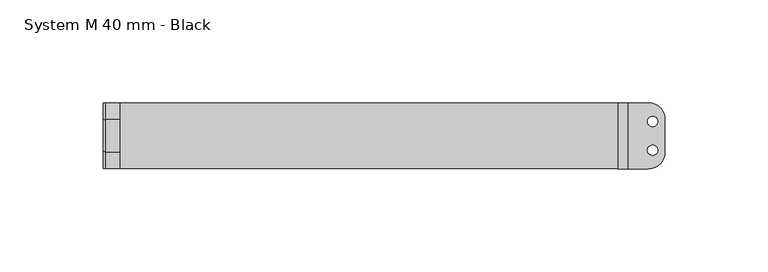
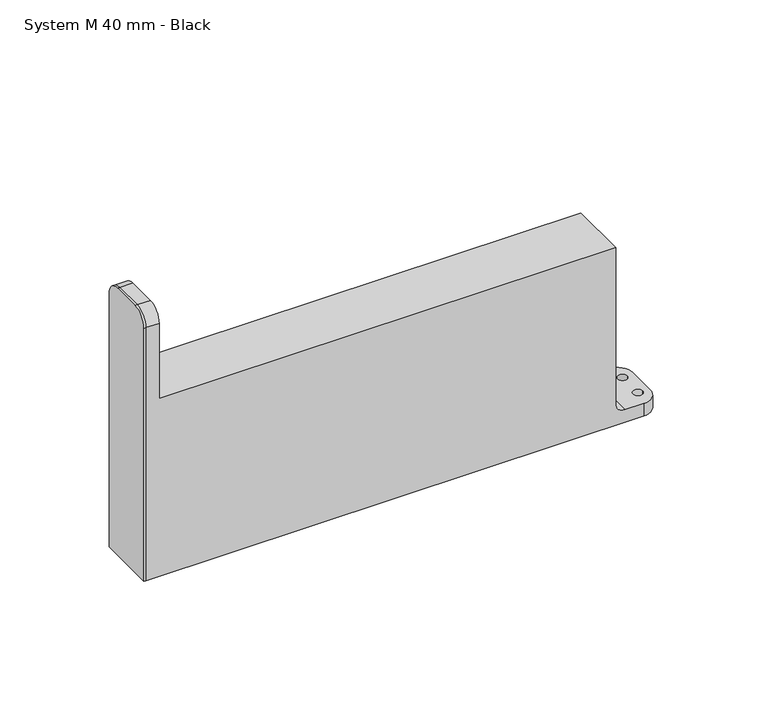
"""IFC4 building model written with IfcOpenShell, lengths in millimetres: proxy geometry, System M 40 mm - Black."""

from ifc_helpers import new_model, si_unit, point, frame, frame_2d, origin, origin_with_axes, place, context, project, spatial, polyline, circle_curve, ellipse_curve, trimmed, segment, composite_curve, outline, extrude, source, transform, mapped, element, save
from ifc_brep_helpers import plane_surface, cylinder_surface, revolved_surface, spline_surface, advanced_brep


def system_m_40_mm_black_73ce2694(model_context):
    return source(origin(), model_context, "Body", "SolidModel", [
        extrude(outline(composite_curve([segment(polyline([(16.0, 0.0), (-16.0, 0.0), (-16.0, 141.8)]), True, "CONTINUOUS"), segment(trimmed(circle_curve(frame_2d((-8.0, 141.8)), 8.0), [point((-16.0, 141.8))], [point((-8.0, 149.8))], False, "CARTESIAN"), True, "CONTINUOUS"), segment(polyline([(-8.0, 149.8), (8.0, 149.8)]), True, "CONTINUOUS"), segment(trimmed(circle_curve(frame_2d((8.0, 141.8)), 8.0), [point((8.0, 149.8))], [point((16.0, 141.8))], False, "CARTESIAN"), True, "CONTINUOUS"), segment(polyline([(16.0, 141.8), (16.0, 0.0)]), True, "CONTINUOUS")], self_intersect=False)), frame((-40.0, 0.0, 0.0), z_axis=(1.0, 0.0, 0.0), x_axis=(0.0, 1.0, 0.0)), (0.0, 0.0, 1.0), 1.0),
        advanced_brep(
        [(7.5, 0.0, 1.0), (-7.5, 0.0, 1.0), (6.75, 0.0, -8.0), (-6.75, 0.0, -8.0)],
        [
            (0, 1, ellipse_curve(frame((0.0, 0.0, 1.0), z_axis=(0.0, 0.0, 1.0), x_axis=(-1.0, 0.0, 0.0)), 7.5, 4.8)),
            (1, 0, ellipse_curve(frame((0.0, 0.0, 1.0), z_axis=(0.0, 0.0, 1.0), x_axis=(-1.0, 0.0, 0.0)), 7.5, 4.8)),
            (2, 3, ellipse_curve(frame((0.0, 0.0, -8.0), z_axis=(0.0, 0.0, -1.0), x_axis=(-1.0, 0.0, 0.0)), 6.75, 4.0)),
            (3, 2, ellipse_curve(frame((0.0, 0.0, -8.0), z_axis=(0.0, 0.0, -1.0), x_axis=(-1.0, 0.0, 0.0)), 6.75, 4.0)),
            (3, 1),
            (0, 2),
        ],
        [
            plane_surface(frame((0.0, 0.0, 1.0), z_axis=(0.0, 0.0, 1.0), x_axis=(0.0, 1.0, 0.0))),
            plane_surface(frame((0.0, 0.0, -8.0), z_axis=(0.0, 0.0, -1.0), x_axis=(0.0, 1.0, 0.0))),
            spline_surface(2, 1, [[(6.75, 0.0, -8.0), (7.5, 0.0, 1.0)], [(6.75, 4.0, -8.0), (7.5, 4.8, 1.0)], [(0.0, 4.0, -8.0), (0.0, 4.8, 1.0)], [(-6.75, 4.0, -8.0), (-7.5, 4.8, 1.0)], [(-6.75, 0.0, -8.0), (-7.5, 0.0, 1.0)]], [3, 2, 3], [2, 2], [0.0, 1.0, 2.0], [0.0, 1.0], weights=[[1.0, 1.0], [0.7071067811865476, 0.7071067811865476], [1.0, 1.0], [0.7071067811865476, 0.7071067811865476], [1.0, 1.0]]),
            spline_surface(2, 1, [[(-6.75, 0.0, -8.0), (-7.5, 0.0, 1.0)], [(-6.75, -4.0, -8.0), (-7.5, -4.8, 1.0)], [(0.0, -4.0, -8.0), (0.0, -4.8, 1.0)], [(6.75, -4.0, -8.0), (7.5, -4.8, 1.0)], [(6.75, 0.0, -8.0), (7.5, 0.0, 1.0)]], [3, 2, 3], [2, 2], [0.0, 1.0, 2.0], [0.0, 1.0], weights=[[1.0, 1.0], [0.7071067811865476, 0.7071067811865476], [1.0, 1.0], [0.7071067811865476, 0.7071067811865476], [1.0, 1.0]]),
        ],
        [
            (0, [[1, 2]]),
            (1, [[3, 4]]),
            (2, [[-4, 5, -1, 6]]),
            (3, [[-3, -6, -2, -5]]),
        ],
    ),
        advanced_brep(
        [(214.8, -16.0, 7.0), (209.8, -16.0, 12.0), (209.8, -16.0, 99.6), (-32.0, -16.0, 99.6), (-32.0, -16.0, 141.8), (-39.0, -16.0, 141.8), (-39.0, -16.0, 0.0), (224.7, -16.0, 0.0), (224.7, -16.0, 7.0), (-32.0, 16.0, 99.6), (209.8, 16.0, 99.6), (209.8, 16.0, 12.0), (214.8, 16.0, 7.0), (224.7, 16.0, 7.0), (224.7, 16.0, 0.0), (-39.0, 16.0, 0.0), (-39.0, 16.0, 141.8), (-32.0, 16.0, 141.8), (232.7, 8.0, 0.0), (232.7, -8.0, 0.0), (-15.5, 0.0, 0.0), (15.5, 0.0, 0.0), (232.45, 7.0, 0.0), (220.95, 7.0, 0.0), (220.95, -7.0, 0.0), (232.45, -7.0, 0.0), (232.7, 8.0, 7.0), (232.7, -8.0, 7.0), (224.2, 7.0, 7.0), (229.2, 7.0, 7.0), (229.2, -7.0, 7.0), (224.2, -7.0, 7.0), (-39.0, -8.0, 149.8), (-39.0, 8.0, 149.8), (-15.5, 0.0, 1.0), (15.5, 0.0, 1.0), (224.2, 7.0, 3.25), (229.2, 7.0, 3.25), (224.2, -7.0, 3.25), (229.2, -7.0, 3.25), (-32.0, 8.0, 149.8), (-32.0, -8.0, 149.8)],
        [
            (0, 1, circle_curve(frame((214.8, -16.0, 12.0), z_axis=(0.0, 1.0, 0.0), x_axis=(1.0, 0.0, 0.0)), 5.0)),
            (1, 2),
            (2, 3),
            (3, 4),
            (4, 5),
            (5, 6),
            (6, 7),
            (7, 8),
            (8, 0),
            (9, 10),
            (10, 11),
            (11, 12, circle_curve(frame((214.8, 16.0, 12.0), z_axis=(0.0, -1.0, 0.0), x_axis=(1.0, 0.0, 0.0)), 5.0)),
            (12, 13),
            (13, 14),
            (14, 15),
            (15, 16),
            (16, 17),
            (17, 9),
            (6, 15),
            (14, 18, circle_curve(frame((224.7, 8.0, 0.0), z_axis=(0.0, 0.0, -1.0), x_axis=(-1.0, 0.0, 0.0)), 8.0)),
            (18, 19),
            (19, 7, circle_curve(frame((224.7, -8.0, 0.0), z_axis=(0.0, 0.0, -1.0), x_axis=(-1.0, 0.0, 0.0)), 8.0)),
            (20, 21, circle_curve(origin_with_axes(), 15.5)),
            (21, 20, circle_curve(origin_with_axes(), 15.5)),
            (22, 23, circle_curve(frame((226.7, 7.0, 0.0), z_axis=(0.0, 0.0, 1.0), x_axis=(1.0, 0.0, 0.0)), 5.75)),
            (23, 22, circle_curve(frame((226.7, 7.0, 0.0), z_axis=(0.0, 0.0, 1.0), x_axis=(1.0, 0.0, 0.0)), 5.75)),
            (24, 25, circle_curve(frame((226.7, -7.0, 0.0), z_axis=(0.0, 0.0, 1.0), x_axis=(1.0, 0.0, 0.0)), 5.75)),
            (25, 24, circle_curve(frame((226.7, -7.0, 0.0), z_axis=(0.0, 0.0, 1.0), x_axis=(1.0, 0.0, 0.0)), 5.75)),
            (18, 26),
            (26, 27),
            (27, 19),
            (12, 0),
            (8, 27, circle_curve(frame((224.7, -8.0, 7.0), z_axis=(0.0, 0.0, 1.0), x_axis=(-1.0, 0.0, 0.0)), 8.0)),
            (26, 13, circle_curve(frame((224.7, 8.0, 7.0), z_axis=(0.0, 0.0, 1.0), x_axis=(-1.0, 0.0, 0.0)), 8.0)),
            (28, 29, circle_curve(frame((226.7, 7.0, 7.0), z_axis=(0.0, 0.0, -1.0), x_axis=(1.0, 0.0, 0.0)), 2.5)),
            (29, 28, circle_curve(frame((226.7, 7.0, 7.0), z_axis=(0.0, 0.0, -1.0), x_axis=(1.0, 0.0, 0.0)), 2.5)),
            (30, 31, circle_curve(frame((226.7, -7.0, 7.0), z_axis=(0.0, 0.0, -1.0), x_axis=(1.0, 0.0, 0.0)), 2.5)),
            (31, 30, circle_curve(frame((226.7, -7.0, 7.0), z_axis=(0.0, 0.0, -1.0), x_axis=(1.0, 0.0, 0.0)), 2.5)),
            (11, 1),
            (10, 2),
            (9, 3),
            (5, 32, circle_curve(frame((-39.0, -8.0, 141.8), z_axis=(-1.0, 0.0, 0.0), x_axis=(0.0, 0.0, -1.0)), 8.0)),
            (32, 33),
            (33, 16, circle_curve(frame((-39.0, 8.0, 141.8), z_axis=(-1.0, 0.0, 0.0), x_axis=(0.0, 0.0, -1.0)), 8.0)),
            (34, 35, circle_curve(frame((0.0, 0.0, 1.0), z_axis=(0.0, 0.0, -1.0), x_axis=(1.0, 0.0, 0.0)), 15.5)),
            (35, 34, circle_curve(frame((0.0, 0.0, 1.0), z_axis=(0.0, 0.0, -1.0), x_axis=(1.0, 0.0, 0.0)), 15.5)),
            (35, 21),
            (20, 34),
            (28, 36),
            (36, 37, circle_curve(frame((226.7, 7.0, 3.25), z_axis=(0.0, 0.0, -1.0), x_axis=(1.0, 0.0, 0.0)), 2.5)),
            (37, 29),
            (37, 36, circle_curve(frame((226.7, 7.0, 3.25), z_axis=(0.0, 0.0, -1.0), x_axis=(1.0, 0.0, 0.0)), 2.5)),
            (36, 23),
            (22, 37),
            (38, 31),
            (30, 39),
            (39, 38, circle_curve(frame((226.7, -7.0, 3.25), z_axis=(0.0, 0.0, -1.0), x_axis=(1.0, 0.0, 0.0)), 2.5)),
            (38, 39, circle_curve(frame((226.7, -7.0, 3.25), z_axis=(0.0, 0.0, -1.0), x_axis=(1.0, 0.0, 0.0)), 2.5)),
            (39, 25),
            (24, 38),
            (17, 40, circle_curve(frame((-32.0, 8.0, 141.8), z_axis=(1.0, 0.0, 0.0), x_axis=(0.0, 0.0, -1.0)), 8.0)),
            (40, 41),
            (41, 4, circle_curve(frame((-32.0, -8.0, 141.8), z_axis=(1.0, 0.0, 0.0), x_axis=(0.0, 0.0, -1.0)), 8.0)),
            (32, 41),
            (40, 33),
        ],
        [
            plane_surface(frame((232.7, -16.0, 7.0), z_axis=(0.0, -1.0, 0.0), x_axis=(0.0, 0.0, 1.0))),
            plane_surface(frame((232.7, 16.0, 7.0), z_axis=(0.0, 1.0, 0.0), x_axis=(0.0, 0.0, -1.0))),
            plane_surface(frame((-39.0, -16.0, 0.0), z_axis=(0.0, 0.0, -1.0), x_axis=(0.0, 1.0, 0.0))),
            plane_surface(frame((232.7, -16.0, 0.0), z_axis=(1.0, 0.0, 0.0), x_axis=(0.0, 1.0, 0.0))),
            plane_surface(frame((232.7, -16.0, 7.0), z_axis=(0.0, 0.0, 1.0), x_axis=(0.0, 1.0, 0.0))),
            revolved_surface(polyline([(219.8, 16.0, 12.0), (219.8, -16.0, 12.0)]), (214.8, 16.0, 12.0), (0.0, 1.0, 0.0)),
            plane_surface(frame((209.8, -16.0, 12.0), z_axis=(1.0, 0.0, 0.0), x_axis=(0.0, 1.0, 0.0))),
            plane_surface(frame((209.8, -16.0, 99.6), z_axis=(0.0, 0.0, 1.0), x_axis=(0.0, 1.0, 0.0))),
            plane_surface(frame((-39.0, -16.0, 149.8), z_axis=(-1.0, 0.0, 0.0), x_axis=(0.0, 1.0, 0.0))),
            plane_surface(frame((15.5, 0.0, 1.0), z_axis=(0.0, 0.0, -1.0), x_axis=(0.0, 1.0, 0.0))),
            revolved_surface(polyline([(15.5, 0.0, 1.0), (15.5, 0.0, 0.0)]), (0.0, 0.0, 0.0), (0.0, 0.0, 1.0)),
            revolved_surface(polyline([(229.2, 7.0, 7.0), (229.2, 7.0, 3.25)]), (226.7, 7.0, 7.0), (0.0, 0.0, 1.0)),
            revolved_surface(polyline([(229.2, 7.0, 3.25), (232.45, 7.0, 0.0)]), (226.7, 7.0, 7.0), (0.0, 0.0, 1.0)),
            revolved_surface(polyline([(229.2, -7.0, 3.25), (229.2, -7.0, 7.0)]), (226.7, -7.0, 7.0), (0.0, 0.0, -1.0)),
            revolved_surface(polyline([(232.45, -7.0, 0.0), (229.2, -7.0, 3.25)]), (226.7, -7.0, 7.0), (0.0, 0.0, -1.0)),
            plane_surface(frame((-32.0, -16.0, 99.6), z_axis=(1.0, 0.0, 0.0), x_axis=(0.0, 1.0, 0.0))),
            plane_surface(frame((-32.0, -16.0, 149.8), z_axis=(0.0, 0.0, 1.0), x_axis=(0.0, 1.0, 0.0))),
            cylinder_surface(frame((-32.0, -8.0, 141.8), z_axis=(1.0, 0.0, 0.0), x_axis=(0.0, 0.0, -1.0)), 8.0),
            cylinder_surface(frame((-39.0, 8.0, 141.8), z_axis=(1.0, 0.0, 0.0), x_axis=(0.0, 0.0, -1.0)), 8.0),
            cylinder_surface(frame((224.7, -8.0, 0.0), z_axis=(0.0, 0.0, -1.0), x_axis=(-1.0, 0.0, 0.0)), 8.0),
            cylinder_surface(frame((224.7, 8.0, 0.0), z_axis=(0.0, 0.0, -1.0), x_axis=(-1.0, 0.0, 0.0)), 8.0),
        ],
        [
            (0, [[1, 2, 3, 4, 5, 6, 7, 8, 9]]),
            (1, [[10, 11, 12, 13, 14, 15, 16, 17, 18]]),
            (2, [[19, -15, 20, 21, 22, -7], [23, 24], [25, 26], [27, 28]]),
            (3, [[-21, 29, 30, 31]]),
            (4, [[32, -9, 33, -30, 34, -13], [35, 36], [37, 38]]),
            (5, [[-1, -32, -12, 39]]),
            (6, [[-2, -39, -11, 40]]),
            (7, [[-3, -40, -10, 41]]),
            (8, [[-19, -6, 42, 43, 44, -16]]),
            (9, [[45, 46]]),
            (10, [[-46, 47, -23, 48]]),
            (10, [[-45, -48, -24, -47]]),
            (11, [[49, 50, 51, -35]]),
            (11, [[-49, -36, -51, 52]]),
            (12, [[-50, 53, -25, 54]]),
            (12, [[-52, -54, -26, -53]]),
            (13, [[55, -37, 56, 57]]),
            (13, [[-55, 58, -56, -38]]),
            (14, [[-57, 59, -27, 60]]),
            (14, [[-58, -60, -28, -59]]),
            (15, [[-41, -18, 61, 62, 63, -4]]),
            (16, [[-43, 64, -62, 65]]),
            (17, [[-5, -63, -64, -42]]),
            (18, [[-17, -44, -65, -61]]),
            (19, [[-8, -22, -31, -33]]),
            (20, [[-14, -34, -29, -20]]),
        ],
    ),
    ])


if __name__ == "__main__":
    model = new_model("IFC4")
    model_context = context("Model", 3, world=origin())
    ifc_project = project(units=[si_unit("LENGTHUNIT", "METRE", prefix="MILLI")], contexts=[model_context])
    site = spatial("IfcSite", under=ifc_project)
    building = spatial("IfcBuilding", under=site)
    placement = place(None, origin())
    system_m_40_mm_black_shape = system_m_40_mm_black_73ce2694(model_context)
    element("IfcBuildingElementProxy", 1, Name="System M 40 mm - Black", ObjectType="System M 40 mm - Black", at=placement, inside=building, context=model_context, shape_type="MappedRepresentation", body=[
        mapped(system_m_40_mm_black_shape, transform((0.0, 0.0, 0.0), x_axis=(1.0, 0.0, 0.0), y_axis=(0.0, 1.0, 0.0), z_axis=(0.0, 0.0, 1.0))),
    ])
    save(model, "model.ifc")
